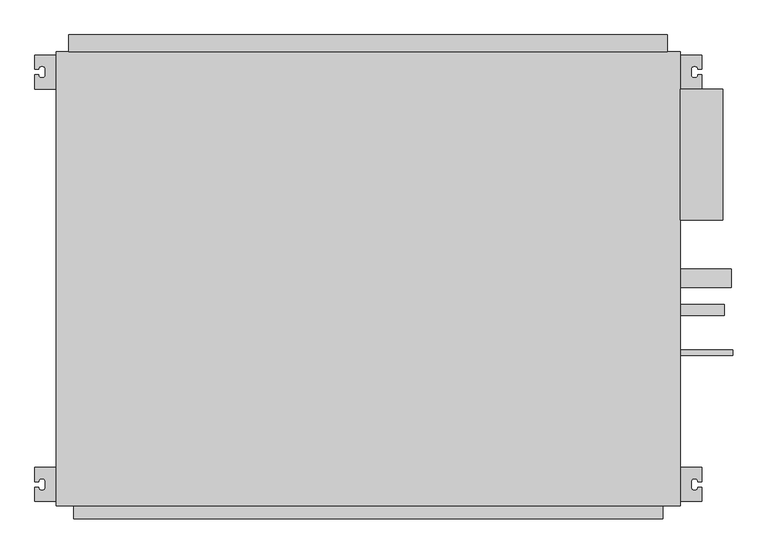
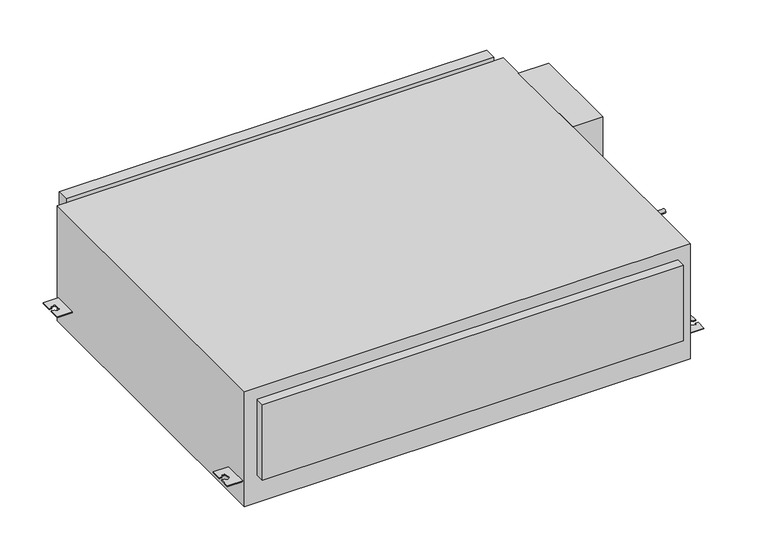
"""IFC4 building model written with IfcOpenShell, lengths in millimetres: proxy geometry."""

from ifc_helpers import new_model, si_unit, point, frame, frame_2d, origin, origin_with_axes, place, context, project, spatial, polyline, circle_curve, trimmed, segment, composite_curve, outline, extrude, source, transform, mapped, element, save


def mechanical_equipment_99e6cd17(model_context):
    return source(origin(), model_context, "Body", "SweptSolid", [
        extrude(outline(polyline([(550.0, -65.5), (625.0, -65.5), (625.0, -296.5), (550.0, -296.5), (550.0, -65.5)])), origin_with_axes(), (0.0, 0.0, 1.0), 300.0),
        extrude(outline(composite_curve([segment(trimmed(circle_curve(frame_2d((-399.0, 22.0)), 16.0), [point((-415.0, 22.0))], [point((-383.0, 22.0))], False, "CARTESIAN"), True, "CONTINUOUS"), segment(trimmed(circle_curve(frame_2d((-399.0, 22.0)), 16.0), [point((-383.0, 22.0))], [point((-415.0, 22.0))], False, "CARTESIAN"), True, "CONTINUOUS")], self_intersect=False)), frame((550.0, 0.0, 0.0), z_axis=(1.0, 0.0, 0.0), x_axis=(0.0, 1.0, 0.0)), (0.0, 0.0, 1.0), 90.0),
        extrude(outline(composite_curve([segment(trimmed(circle_curve(frame_2d((-455.0, 150.0)), 9.525), [point((-464.525, 150.0))], [point((-445.475, 150.0))], False, "CARTESIAN"), True, "CONTINUOUS"), segment(trimmed(circle_curve(frame_2d((-455.0, 150.0)), 9.525), [point((-445.475, 150.0))], [point((-464.525, 150.0))], False, "CARTESIAN"), True, "CONTINUOUS")], self_intersect=False)), frame((550.0, 0.0, 0.0), z_axis=(1.0, 0.0, 0.0), x_axis=(0.0, 1.0, 0.0)), (0.0, 0.0, 1.0), 77.0),
        extrude(outline(composite_curve([segment(trimmed(circle_curve(frame_2d((-530.0, 190.0)), 4.765), [point((-534.765, 190.0))], [point((-525.235, 190.0))], False, "CARTESIAN"), True, "CONTINUOUS"), segment(trimmed(circle_curve(frame_2d((-530.0, 190.0)), 4.765), [point((-525.235, 190.0))], [point((-534.765, 190.0))], False, "CARTESIAN"), True, "CONTINUOUS")], self_intersect=False)), frame((550.0, 0.0, 0.0), z_axis=(1.0, 0.0, 0.0), x_axis=(0.0, 1.0, 0.0)), (0.0, 0.0, 1.0), 92.0),
        extrude(outline(composite_curve([segment(polyline([(-550.0, -5.5), (-550.0, -65.5), (-587.5, -65.5), (-587.5, -40.5), (-581.0, -40.5)]), True, "CONTINUOUS"), segment(trimmed(circle_curve(frame_2d((-576.0, -40.5)), 5.0), [point((-581.0, -40.5))], [point((-576.0, -45.5))], True, "CARTESIAN"), True, "CONTINUOUS"), segment(polyline([(-576.0, -45.5), (-574.0, -45.5)]), True, "CONTINUOUS"), segment(trimmed(circle_curve(frame_2d((-574.0, -40.5)), 5.0), [point((-574.0, -45.5))], [point((-569.0, -40.5))], True, "CARTESIAN"), True, "CONTINUOUS"), segment(polyline([(-569.0, -40.5), (-569.0, -30.5)]), True, "CONTINUOUS"), segment(trimmed(circle_curve(frame_2d((-574.0, -30.5)), 5.0), [point((-569.0, -30.5))], [point((-574.0, -25.5))], True, "CARTESIAN"), True, "CONTINUOUS"), segment(polyline([(-574.0, -25.5), (-576.0, -25.5)]), True, "CONTINUOUS"), segment(trimmed(circle_curve(frame_2d((-576.0, -30.5)), 5.0), [point((-576.0, -25.5))], [point((-581.0, -30.5))], True, "CARTESIAN"), True, "CONTINUOUS"), segment(polyline([(-581.0, -30.5), (-587.5, -30.5), (-587.5, -5.5), (-550.0, -5.5)]), True, "CONTINUOUS")], self_intersect=False)), frame((0.0, 0.0, 60.5), z_axis=(0.0, 0.0, 1.0), x_axis=(1.0, 0.0, 0.0)), (0.0, 0.0, 1.0), 2.5),
        extrude(outline(composite_curve([segment(polyline([(-550.0, -732.5), (-550.0, -792.5), (-587.5, -792.5), (-587.5, -767.5), (-581.0, -767.5)]), True, "CONTINUOUS"), segment(trimmed(circle_curve(frame_2d((-576.0, -767.5)), 5.0), [point((-581.0, -767.5))], [point((-576.0, -772.5))], True, "CARTESIAN"), True, "CONTINUOUS"), segment(polyline([(-576.0, -772.5), (-574.0, -772.5)]), True, "CONTINUOUS"), segment(trimmed(circle_curve(frame_2d((-574.0, -767.5)), 5.0), [point((-574.0, -772.5))], [point((-569.0, -767.5))], True, "CARTESIAN"), True, "CONTINUOUS"), segment(polyline([(-569.0, -767.5), (-569.0, -757.5)]), True, "CONTINUOUS"), segment(trimmed(circle_curve(frame_2d((-574.0, -757.5)), 5.0), [point((-569.0, -757.5))], [point((-574.0, -752.5))], True, "CARTESIAN"), True, "CONTINUOUS"), segment(polyline([(-574.0, -752.5), (-576.0, -752.5)]), True, "CONTINUOUS"), segment(trimmed(circle_curve(frame_2d((-576.0, -757.5)), 5.0), [point((-576.0, -752.5))], [point((-581.0, -757.5))], True, "CARTESIAN"), True, "CONTINUOUS"), segment(polyline([(-581.0, -757.5), (-587.5, -757.5), (-587.5, -732.5), (-550.0, -732.5)]), True, "CONTINUOUS")], self_intersect=False)), frame((0.0, 0.0, 60.5), z_axis=(0.0, 0.0, 1.0), x_axis=(1.0, 0.0, 0.0)), (0.0, 0.0, 1.0), 2.5),
        extrude(outline(composite_curve([segment(polyline([(550.0, -5.5), (587.5, -5.5), (587.5, -30.5), (581.0, -30.5)]), True, "CONTINUOUS"), segment(trimmed(circle_curve(frame_2d((576.0, -30.5)), 5.0), [point((581.0, -30.5))], [point((576.0, -25.5))], True, "CARTESIAN"), True, "CONTINUOUS"), segment(polyline([(576.0, -25.5), (574.0, -25.5)]), True, "CONTINUOUS"), segment(trimmed(circle_curve(frame_2d((574.0, -30.5)), 5.0), [point((574.0, -25.5))], [point((569.0, -30.5))], True, "CARTESIAN"), True, "CONTINUOUS"), segment(polyline([(569.0, -30.5), (569.0, -40.5)]), True, "CONTINUOUS"), segment(trimmed(circle_curve(frame_2d((574.0, -40.5)), 5.0), [point((569.0, -40.5))], [point((574.0, -45.5))], True, "CARTESIAN"), True, "CONTINUOUS"), segment(polyline([(574.0, -45.5), (576.0, -45.5)]), True, "CONTINUOUS"), segment(trimmed(circle_curve(frame_2d((576.0, -40.5)), 5.0), [point((576.0, -45.5))], [point((581.0, -40.5))], True, "CARTESIAN"), True, "CONTINUOUS"), segment(polyline([(581.0, -40.5), (587.5, -40.5), (587.5, -65.5), (550.0, -65.5), (550.0, -5.5)]), True, "CONTINUOUS")], self_intersect=False)), frame((0.0, 0.0, 60.5), z_axis=(0.0, 0.0, 1.0), x_axis=(1.0, 0.0, 0.0)), (0.0, 0.0, 1.0), 2.5),
        extrude(outline(composite_curve([segment(polyline([(550.0, -732.5), (587.5, -732.5), (587.5, -757.5), (581.0, -757.5)]), True, "CONTINUOUS"), segment(trimmed(circle_curve(frame_2d((576.0, -757.5)), 5.0), [point((581.0, -757.5))], [point((576.0, -752.5))], True, "CARTESIAN"), True, "CONTINUOUS"), segment(polyline([(576.0, -752.5), (574.0, -752.5)]), True, "CONTINUOUS"), segment(trimmed(circle_curve(frame_2d((574.0, -757.5)), 5.0), [point((574.0, -752.5))], [point((569.0, -757.5))], True, "CARTESIAN"), True, "CONTINUOUS"), segment(polyline([(569.0, -757.5), (569.0, -767.5)]), True, "CONTINUOUS"), segment(trimmed(circle_curve(frame_2d((574.0, -767.5)), 5.0), [point((569.0, -767.5))], [point((574.0, -772.5))], True, "CARTESIAN"), True, "CONTINUOUS"), segment(polyline([(574.0, -772.5), (576.0, -772.5)]), True, "CONTINUOUS"), segment(trimmed(circle_curve(frame_2d((576.0, -767.5)), 5.0), [point((576.0, -772.5))], [point((581.0, -767.5))], True, "CARTESIAN"), True, "CONTINUOUS"), segment(polyline([(581.0, -767.5), (587.5, -767.5), (587.5, -792.5), (550.0, -792.5), (550.0, -732.5)]), True, "CONTINUOUS")], self_intersect=False)), frame((0.0, 0.0, 60.5), z_axis=(0.0, 0.0, 1.0), x_axis=(1.0, 0.0, 0.0)), (0.0, 0.0, 1.0), 2.5),
        extrude(outline(polyline([(527.2, 30.0), (527.2, 0.0), (-527.8, 0.0), (-527.8, 30.0), (527.2, 30.0)])), frame((0.0, 0.0, 22.8), z_axis=(0.0, 0.0, 1.0), x_axis=(1.0, 0.0, 0.0)), (0.0, 0.0, 1.0), 286.6),
        extrude(outline(polyline([(519.0, -800.0), (519.0, -823.0), (-519.0, -823.0), (-519.0, -800.0), (519.0, -800.0)])), frame((0.0, 0.0, 72.0), z_axis=(0.0, 0.0, 1.0), x_axis=(1.0, 0.0, 0.0)), (0.0, 0.0, 1.0), 197.0),
        extrude(outline(polyline([(550.0, -800.0), (-550.0, -800.0), (-550.0, 0.0), (550.0, 0.0), (550.0, -800.0)])), origin_with_axes(), (0.0, 0.0, 1.0), 300.0),
    ])


if __name__ == "__main__":
    model = new_model("IFC4")
    model_context = context("Model", 3, world=origin())
    ifc_project = project(units=[si_unit("LENGTHUNIT", "METRE", prefix="MILLI")], contexts=[model_context])
    site = spatial("IfcSite", under=ifc_project)
    building = spatial("IfcBuilding", under=site)
    placement = place(None, origin())
    mechanical_equipment_shape = mechanical_equipment_99e6cd17(model_context)
    element("IfcBuildingElementProxy", 1, Name="Mechanical Equipment", at=placement, inside=building, context=model_context, shape_type="MappedRepresentation", body=[
        mapped(mechanical_equipment_shape, transform((0.0, 0.0, 0.0), x_axis=(1.0, 0.0, 0.0), y_axis=(0.0, 1.0, 0.0), z_axis=(0.0, 0.0, 1.0))),
    ])
    save(model, "model.ifc")
